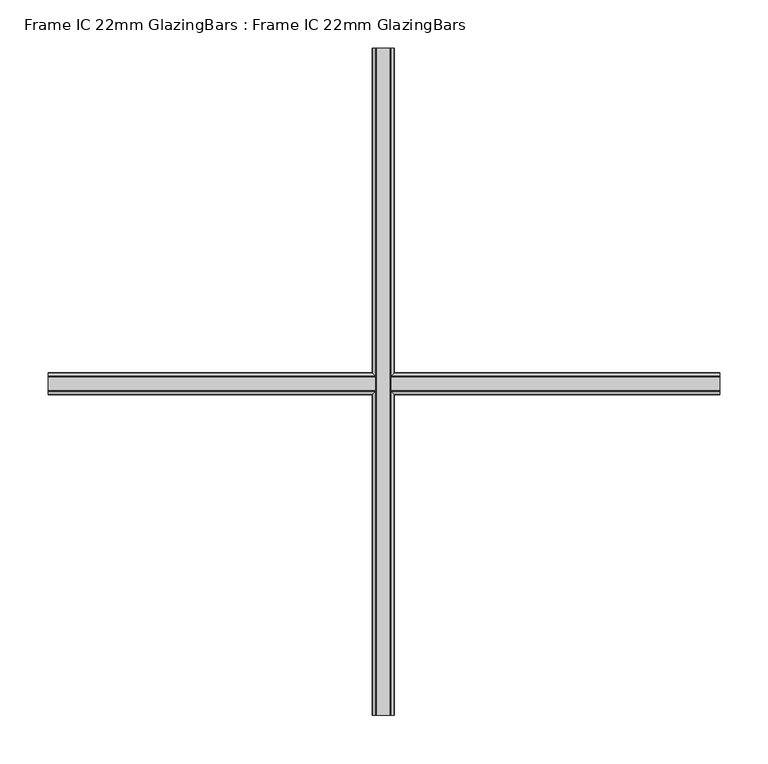
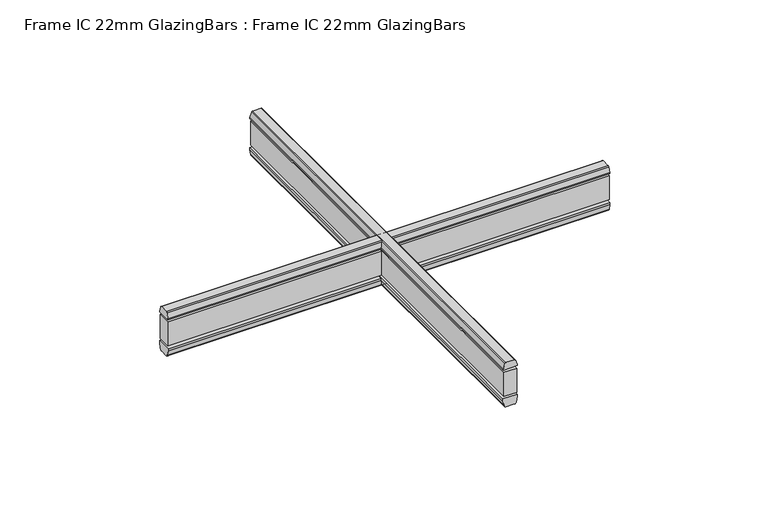
"""IFC4 building model written with IfcOpenShell, lengths in millimetres: proxy geometry, Frame IC 22mm GlazingBars : Frame IC 22mm GlazingBars."""

from ifc_helpers import new_model, si_unit, point, frame, frame_2d, origin, place, context, project, spatial, polyline, circle_curve, trimmed, segment, composite_curve, outline, extrude, source, transform, mapped, element, save


def frame_ic_22mm_glazingbars_frame_ic_22mm_glazingbars_4aeeaba2(model_context):
    return source(origin(), model_context, "Body", "SweptSolid", [
        extrude(outline(composite_curve([segment(polyline([(1.6747255, 149.9173822), (0.0, 149.9173822), (0.0, 171.9173822), (1.6747255, 171.9173822), (9.8847434, 169.4073278)]), True, "CONTINUOUS"), segment(trimmed(circle_curve(frame_2d((9.3, 167.4947183)), 2.0), [point((9.8847434, 169.4073278))], [point((11.3, 167.4947183))], False, "CARTESIAN"), True, "CONTINUOUS"), segment(polyline([(11.3, 167.4947183), (11.3, 154.3400461)]), True, "CONTINUOUS"), segment(trimmed(circle_curve(frame_2d((9.3, 154.3400461)), 2.0), [point((11.3, 154.3400461))], [point((9.8847434, 152.4274366))], False, "CARTESIAN"), True, "CONTINUOUS"), segment(polyline([(9.8847434, 152.4274366), (1.6747255, 149.9173822)]), True, "CONTINUOUS")], self_intersect=False)), frame((0.0, -212.7581689, 0.0), z_axis=(0.0, 1.0, 0.0), x_axis=(0.0, 0.0, 1.0)), (0.0, 0.0, 1.0), 692.002523),
        extrude(outline(composite_curve([segment(trimmed(circle_curve(frame_2d((-59.7, 154.2161975)), 3.0), [point((-60.3237351, 151.2817547))], [point((-62.7, 154.2161975))], False, "CARTESIAN"), True, "CONTINUOUS"), segment(polyline([(-62.7, 154.2161975), (-62.7, 167.6185669)]), True, "CONTINUOUS"), segment(trimmed(circle_curve(frame_2d((-59.7, 167.6185669)), 3.0), [point((-62.7, 167.6185669))], [point((-60.3237351, 170.5530097))], False, "CARTESIAN"), True, "CONTINUOUS"), segment(polyline([(-60.3237351, 170.5530097), (-51.5525521, 172.4173822), (-48.0, 172.4173822), (-48.0, 149.4173822), (-51.5525521, 149.4173822), (-60.3237351, 151.2817547)]), True, "CONTINUOUS")], self_intersect=False)), frame((0.0, -212.7581689, 0.0), z_axis=(0.0, 1.0, 0.0), x_axis=(0.0, 0.0, 1.0)), (0.0, 0.0, 1.0), 692.002523),
        extrude(outline(polyline([(170.9173822, -212.7581689), (150.9173822, -212.7581689), (150.9173822, 479.2443541), (170.9173822, 479.2443541), (170.9173822, -212.7581689)])), frame((0.0, 0.0, -44.0237411), z_axis=(0.0, 0.0, 1.0), x_axis=(1.0, 0.0, 0.0)), (0.0, 0.0, 1.0), 40.0237411),
        extrude(outline(composite_curve([segment(polyline([(120.2430926, 1.6747255), (122.753147, 9.8847434)]), True, "CONTINUOUS"), segment(trimmed(circle_curve(frame_2d((124.6657565, 9.3)), 2.0), [point((122.753147, 9.8847434))], [point((124.6657565, 11.3))], False, "CARTESIAN"), True, "CONTINUOUS"), segment(polyline([(124.6657565, 11.3), (137.8204288, 11.3)]), True, "CONTINUOUS"), segment(trimmed(circle_curve(frame_2d((137.8204288, 9.3)), 2.0), [point((137.8204288, 11.3))], [point((139.7330383, 9.8847434))], False, "CARTESIAN"), True, "CONTINUOUS"), segment(polyline([(139.7330383, 9.8847434), (142.2430926, 1.6747255), (142.2430926, 0.0), (120.2430926, 0.0), (120.2430926, 1.6747255)]), True, "CONTINUOUS")], self_intersect=False)), frame((-186.6105843, 0.0, 0.0), z_axis=(1.0, 0.0, 0.0), x_axis=(0.0, 1.0, 0.0)), (0.0, 0.0, 1.0), 696.5292279),
        extrude(outline(composite_curve([segment(polyline([(121.6074651, -60.3237351), (119.7430926, -51.5525521), (119.7430926, -48.0), (142.7430926, -48.0), (142.7430926, -51.5525521), (140.8787201, -60.3237351)]), True, "CONTINUOUS"), segment(trimmed(circle_curve(frame_2d((137.9442773, -59.7)), 3.0), [point((140.8787201, -60.3237351))], [point((137.9442773, -62.7))], False, "CARTESIAN"), True, "CONTINUOUS"), segment(polyline([(137.9442773, -62.7), (124.5419079, -62.7)]), True, "CONTINUOUS"), segment(trimmed(circle_curve(frame_2d((124.5419079, -59.7)), 3.0), [point((124.5419079, -62.7))], [point((121.6074651, -60.3237351))], False, "CARTESIAN"), True, "CONTINUOUS")], self_intersect=False)), frame((-186.6105843, 0.0, 0.0), z_axis=(1.0, 0.0, 0.0), x_axis=(0.0, 1.0, 0.0)), (0.0, 0.0, 1.0), 696.5292279),
        extrude(outline(polyline([(509.9186437, 141.2430926), (509.9186437, 121.2430926), (-186.6105843, 121.2430926), (-186.6105843, 141.2430926), (509.9186437, 141.2430926)])), frame((0.0, 0.0, -44.0237411), z_axis=(0.0, 0.0, 1.0), x_axis=(1.0, 0.0, 0.0)), (0.0, 0.0, 1.0), 40.0237411),
    ])


if __name__ == "__main__":
    model = new_model("IFC4")
    model_context = context("Model", 3, world=origin())
    ifc_project = project(units=[si_unit("LENGTHUNIT", "METRE", prefix="MILLI")], contexts=[model_context])
    site = spatial("IfcSite", under=ifc_project)
    building = spatial("IfcBuilding", under=site)
    placement = place(None, origin())
    frame_ic_22mm_glazingbars_frame_ic_22mm_glazingbars_shape = frame_ic_22mm_glazingbars_frame_ic_22mm_glazingbars_4aeeaba2(model_context)
    element("IfcBuildingElementProxy", 1, Name="Frame IC 22mm GlazingBars : Frame IC 22mm GlazingBars", ObjectType="Frame IC 22mm GlazingBars : Frame IC 22mm GlazingBars", at=placement, inside=building, context=model_context, shape_type="MappedRepresentation", body=[
        mapped(frame_ic_22mm_glazingbars_frame_ic_22mm_glazingbars_shape, transform((0.0, 0.0, 0.0), x_axis=(1.0, 0.0, 0.0), y_axis=(0.0, 1.0, 0.0), z_axis=(0.0, 0.0, 1.0))),
    ])
    save(model, "model.ifc")
